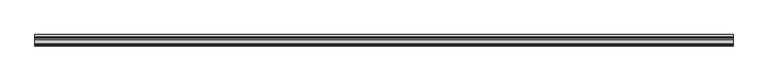
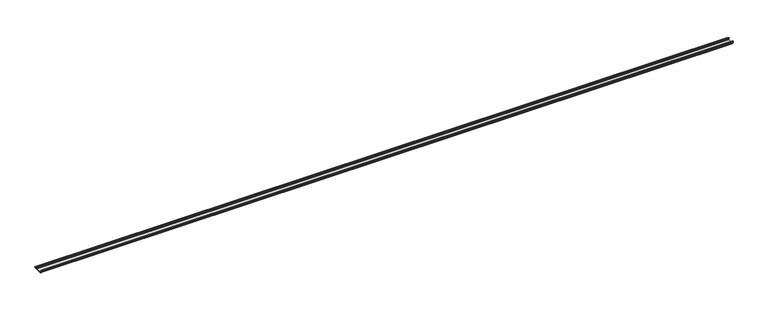
"""IFC4 building model written with IfcOpenShell, lengths in millimetres: proxy geometry."""

from ifc_helpers import new_model, si_unit, point, frame, frame_2d, origin, place, context, project, spatial, polyline, circle_curve, trimmed, segment, composite_curve, outline, extrude, source, transform, mapped, element, save


def generic_models_f1f00a6a(model_context):
    return source(origin(), model_context, "Body", "SweptSolid", [
        extrude(outline(composite_curve([segment(trimmed(circle_curve(frame_2d((-62.6503601, 1.8496399)), 1.8496399), [point((-62.6503601, 0.0))], [point((-64.5, 1.8496399))], False, "CARTESIAN"), True, "CONTINUOUS"), segment(polyline([(-64.5, 1.8496399), (-64.5, 5.954427)]), True, "CONTINUOUS"), segment(trimmed(circle_curve(frame_2d((-66.20622, 5.954427)), 1.70622), [point((-64.5, 5.954427))], [point((-65.4316123, 7.4746802))], True, "CARTESIAN"), True, "CONTINUOUS"), segment(polyline([(-65.4316123, 7.4746802), (-72.6810737, 11.1684652)]), True, "CONTINUOUS"), segment(trimmed(circle_curve(frame_2d((-71.168691, 14.1366832)), 3.331309), [point((-72.6810737, 11.1684652))], [point((-74.5, 14.1366832))], False, "CARTESIAN"), True, "CONTINUOUS"), segment(polyline([(-74.5, 14.1366832), (-74.5, 20.1779423)]), True, "CONTINUOUS"), segment(trimmed(circle_curve(frame_2d((-71.9904423, 20.1779423)), 2.5095577), [point((-74.5, 20.1779423))], [point((-71.9904423, 22.6875))], False, "CARTESIAN"), True, "CONTINUOUS"), segment(polyline([(-71.9904423, 22.6875), (-70.5, 22.6875), (-70.5, 20.6875), (-71.7785709, 20.6875)]), True, "CONTINUOUS"), segment(trimmed(circle_curve(frame_2d((-71.7785709, 19.9660709)), 0.7214291), [point((-71.7785709, 20.6875))], [point((-72.5, 19.9660709))], True, "CARTESIAN"), True, "CONTINUOUS"), segment(polyline([(-72.5, 19.9660709), (-72.5, 14.7749524)]), True, "CONTINUOUS"), segment(trimmed(circle_curve(frame_2d((-70.1271304, 14.7749524)), 2.3728696), [point((-72.5, 14.7749524))], [point((-71.2043907, 12.6607101))], True, "CARTESIAN"), True, "CONTINUOUS"), segment(polyline([(-71.2043907, 12.6607101), (-64.0754216, 9.028319)]), True, "CONTINUOUS"), segment(trimmed(circle_curve(frame_2d((-65.3853373, 6.4574646)), 2.8853373), [point((-64.0754216, 9.028319))], [point((-62.5, 6.4574646))], False, "CARTESIAN"), True, "CONTINUOUS"), segment(polyline([(-62.5, 6.4574646), (-62.5, 4.1283032)]), True, "CONTINUOUS"), segment(trimmed(circle_curve(frame_2d((-60.3716968, 4.1283032)), 2.1283032), [point((-62.5, 4.1283032))], [point((-60.3716968, 2.0))], True, "CARTESIAN"), True, "CONTINUOUS"), segment(polyline([(-60.3716968, 2.0), (-24.1498681, 2.0)]), True, "CONTINUOUS"), segment(trimmed(circle_curve(frame_2d((-24.1498681, 4.6498681)), 2.6498681), [point((-24.1498681, 2.0))], [point((-21.5, 4.6498681))], True, "CARTESIAN"), True, "CONTINUOUS"), segment(polyline([(-21.5, 4.6498681), (-21.5, 11.0762745)]), True, "CONTINUOUS"), segment(trimmed(circle_curve(frame_2d((-24.2710864, 11.0762745)), 2.7710864), [point((-21.5, 11.0762745))], [point((-23.0130395, 13.5453305))], True, "CARTESIAN"), True, "CONTINUOUS"), segment(polyline([(-23.0130395, 13.5453305), (-31.0115672, 17.620784), (-31.0115672, 19.8654365), (-21.2217486, 14.8772747)]), True, "CONTINUOUS"), segment(trimmed(circle_curve(frame_2d((-22.6533308, 12.0676364)), 3.1533308), [point((-21.2217486, 14.8772747))], [point((-19.5, 12.0676364))], False, "CARTESIAN"), True, "CONTINUOUS"), segment(polyline([(-19.5, 12.0676364), (-19.5, 4.4365856)]), True, "CONTINUOUS"), segment(trimmed(circle_curve(frame_2d((-17.0634144, 4.4365856)), 2.4365856), [point((-19.5, 4.4365856))], [point((-17.0634144, 2.0))], True, "CARTESIAN"), True, "CONTINUOUS"), segment(polyline([(-17.0634144, 2.0), (0.0, 2.0), (0.0, 0.0), (-62.6503601, 0.0)]), True, "CONTINUOUS")], self_intersect=False)), frame((0.0, 0.0, 0.0), z_axis=(1.0, 0.0, 0.0), x_axis=(0.0, 1.0, 0.0)), (0.0, 0.0, 1.0), 4620.0),
    ])


if __name__ == "__main__":
    model = new_model("IFC4")
    model_context = context("Model", 3, world=origin())
    ifc_project = project(units=[si_unit("LENGTHUNIT", "METRE", prefix="MILLI")], contexts=[model_context])
    site = spatial("IfcSite", under=ifc_project)
    building = spatial("IfcBuilding", under=site)
    placement = place(None, origin())
    generic_models_shape = generic_models_f1f00a6a(model_context)
    element("IfcBuildingElementProxy", 1, Name="Generic Models", at=placement, inside=building, context=model_context, shape_type="MappedRepresentation", body=[
        mapped(generic_models_shape, transform((0.0, 0.0, 0.0), x_axis=(1.0, 0.0, 0.0), y_axis=(0.0, 1.0, 0.0), z_axis=(0.0, 0.0, 1.0))),
    ])
    save(model, "model.ifc")
